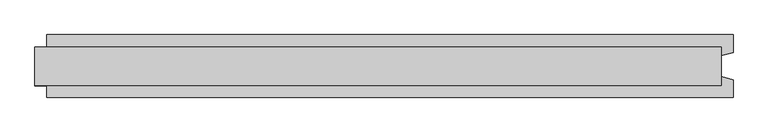
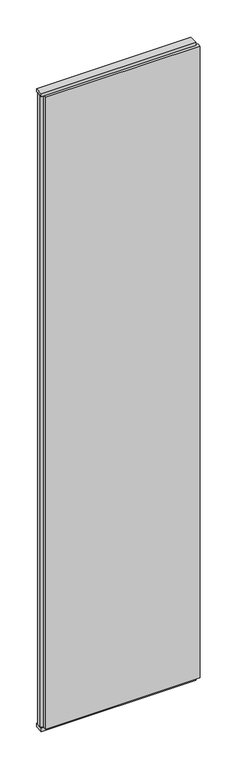
"""IFC4 building model written with IfcOpenShell, lengths in millimetres: plate geometry."""

from ifc_helpers import new_model, si_unit, frame, origin, origin_with_axes, place, context, project, spatial, polyline, outline, extrude, source, transform, mapped, element, save


def plate_07af3f46(model_context):
    return source(origin(), model_context, "Body", "SweptSolid", [
        extrude(outline(polyline([(592.9166667, 52.5), (592.9166667, 22.9993165), (572.9166667, 17.6401049), (572.9166667, -17.6401049), (592.9166667, -22.9993165), (592.9166667, -52.5), (-552.9166667, -52.5), (-552.9166667, -22.9993165), (-572.9166667, -17.6401049), (-572.9166667, 17.6401049), (-552.9166667, 22.9993165), (-552.9166667, 52.5), (592.9166667, 52.5)])), frame((0.0, 0.0, 25.0), z_axis=(0.0, 0.0, 1.0), x_axis=(1.0, 0.0, 0.0)), (0.0, 0.0, 1.0), 4950.0),
        extrude(outline(polyline([(572.9166667, 32.0), (572.9166667, -32.0), (-572.9166667, -32.0), (-572.9166667, 32.0), (572.9166667, 32.0)])), origin_with_axes(), (0.0, 0.0, 1.0), 25.0),
        extrude(outline(polyline([(572.9166667, 32.0), (572.9166667, -32.0), (-572.9166667, -32.0), (-572.9166667, 32.0), (572.9166667, 32.0)])), frame((0.0, 0.0, 4975.0), z_axis=(0.0, 0.0, 1.0), x_axis=(1.0, 0.0, 0.0)), (0.0, 0.0, 1.0), 25.0),
    ])


if __name__ == "__main__":
    model = new_model("IFC4")
    model_context = context("Model", 3, world=origin())
    ifc_project = project(units=[si_unit("LENGTHUNIT", "METRE", prefix="MILLI")], contexts=[model_context])
    site = spatial("IfcSite", under=ifc_project)
    building = spatial("IfcBuilding", under=site)
    placement = place(None, origin())
    plate_shape = plate_07af3f46(model_context)
    element("IfcPlate", 1, at=placement, inside=building, context=model_context, shape_type="MappedRepresentation", body=[
        mapped(plate_shape, transform((0.0, 0.0, 0.0), x_axis=(1.0, 0.0, 0.0), y_axis=(0.0, 1.0, 0.0), z_axis=(0.0, 0.0, 1.0))),
    ])
    save(model, "model.ifc")
